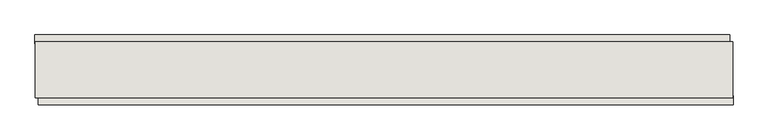
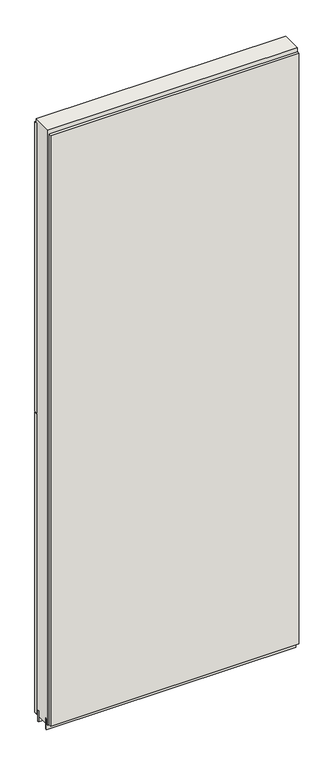
"""IFC4 building model written with IfcOpenShell, lengths in millimetres: wall geometry."""

from ifc_helpers import new_model, si_unit, frame, origin, place, context, project, spatial, polyline, outline, extrude, source, transform, mapped, element, save


def wall_eec6eb9b(model_context):
    return source(origin(), model_context, "Body", "SweptSolid", [
        extrude(outline(polyline([(44048.6837084, -56638.4392756), (44046.1437084, -56638.4392756), (44046.1437084, -56635.8992756), (44048.6837084, -56635.8992756), (44048.6837084, -56638.4392756)])), frame((0.0, 0.0, 4419.6), z_axis=(0.0, 0.0, 1.0), x_axis=(1.0, 0.0, 0.0)), (0.0, 0.0, 1.0), 2.54),
        extrude(outline(polyline([(43032.6751359, -56586.3692756), (44044.2175629, -56586.3692756), (44044.2175629, -56599.0692756), (43032.6751359, -56599.0692756), (43032.6751359, -56586.3692756)])), frame((0.0, 0.0, 5742.4000722), z_axis=(0.0, 0.0, 1.0), x_axis=(1.0, 0.0, 0.0)), (0.0, 0.0, 1.0), 1247.649905),
        extrude(outline(polyline([(43032.6751359, -56586.3692756), (44044.2175629, -56586.3692756), (44044.2175629, -56599.0692756), (43032.6751359, -56599.0692756), (43032.6751359, -56586.3692756)])), frame((0.0, 0.0, 4445.0), z_axis=(0.0, 0.0, 1.0), x_axis=(1.0, 0.0, 0.0)), (0.0, 0.0, 1.0), 1293.400004),
        extrude(outline(polyline([(44049.1474743, -56687.9692756), (43037.6050473, -56687.9692756), (43037.6050473, -56675.2692756), (44049.1474743, -56675.2692756), (44049.1474743, -56687.9692756)])), frame((0.0, 0.0, 4445.0), z_axis=(0.0, 0.0, 1.0), x_axis=(1.0, 0.0, 0.0)), (0.0, 0.0, 1.0), 2545.0498756),
        extrude(outline(polyline([(44048.6787554, -56612.1041492), (43033.1376572, -56612.1041492), (43033.1376572, -56607.000578), (44048.6787554, -56607.000578), (44048.6787554, -56612.1041492)])), frame((0.0, 0.0, 4418.6602), z_axis=(0.0, 0.0, 1.0), x_axis=(1.0, 0.0, 0.0)), (0.0, 0.0, 1.0), 47.625),
        extrude(outline(polyline([(44048.6787554, -56612.1041492), (43033.1376572, -56612.1041492), (43033.1376572, -56607.000578), (44048.6787554, -56607.000578), (44048.6787554, -56612.1041492)])), frame((0.0, 0.0, 4418.6602), z_axis=(0.0, 0.0, 1.0), x_axis=(1.0, 0.0, 0.0)), (0.0, 0.0, 1.0), 47.625),
        extrude(outline(polyline([(43033.1376572, -56662.2468226), (44048.6787554, -56662.2468226), (44048.6787554, -56667.325578), (43033.1376572, -56667.325578), (43033.1376572, -56662.2468226)])), frame((0.0, 0.0, 4418.6602), z_axis=(0.0, 0.0, 1.0), x_axis=(1.0, 0.0, 0.0)), (0.0, 0.0, 1.0), 47.625),
        extrude(outline(polyline([(43033.1376572, -56662.2468226), (44048.6787554, -56662.2468226), (44048.6787554, -56667.325578), (43033.1376572, -56667.325578), (43033.1376572, -56662.2468226)])), frame((0.0, 0.0, 4418.6602), z_axis=(0.0, 0.0, 1.0), x_axis=(1.0, 0.0, 0.0)), (0.0, 0.0, 1.0), 47.625),
        extrude(outline(polyline([(44048.6787554, -56596.5330094), (44048.6787554, -56677.8117648), (43033.1376572, -56677.8117648), (43033.1376572, -56596.5330094), (44048.6787554, -56596.5330094)])), frame((0.0, 0.0, 4445.0), z_axis=(0.0, 0.0, 1.0), x_axis=(1.0, 0.0, 0.0)), (0.0, 0.0, 1.0), 2562.4536762),
    ])


if __name__ == "__main__":
    model = new_model("IFC4")
    model_context = context("Model", 3, world=origin())
    ifc_project = project(units=[si_unit("LENGTHUNIT", "METRE", prefix="MILLI")], contexts=[model_context])
    site = spatial("IfcSite", under=ifc_project)
    building = spatial("IfcBuilding", under=site)
    placement = place(None, origin())
    wall_shape = wall_eec6eb9b(model_context)
    element("IfcWall", 1, at=placement, inside=building, context=model_context, shape_type="MappedRepresentation", body=[
        mapped(wall_shape, transform((0.0, 0.0, 0.0), x_axis=(1.0, 0.0, 0.0), y_axis=(0.0, 1.0, 0.0), z_axis=(0.0, 0.0, 1.0))),
    ])
    save(model, "model.ifc")
